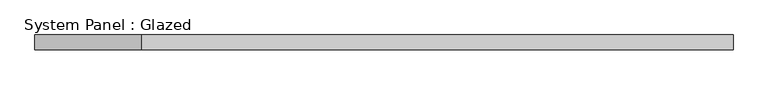
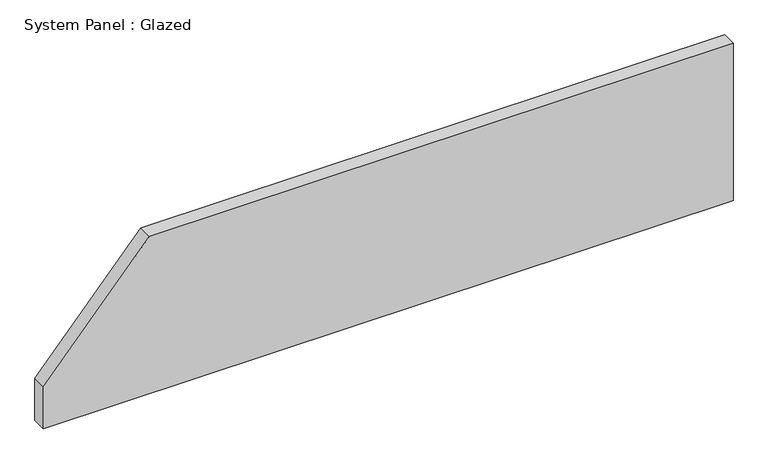
"""IFC4 building model written with IfcOpenShell, lengths in millimetres: plate geometry, System Panel : Glazed."""

from ifc_helpers import new_model, si_unit, frame, origin, place, context, project, spatial, polyline, outline, extrude, source, transform, mapped, element, save


def system_panel_glazed_3605b695(model_context):
    return source(origin(), model_context, "Body", "SweptSolid", [
        extrude(outline(polyline([(0.0, -580.0), (0.0, 580.0), (279.899799, 580.0), (279.899799, -402.1639852), (74.5524569, -580.0), (0.0, -580.0)])), frame((0.0, 24.5, 0.0), z_axis=(0.0, 1.0, 0.0), x_axis=(0.0, 0.0, 1.0)), (0.0, 0.0, 1.0), 25.0),
    ])


if __name__ == "__main__":
    model = new_model("IFC4")
    model_context = context("Model", 3, world=origin())
    ifc_project = project(units=[si_unit("LENGTHUNIT", "METRE", prefix="MILLI")], contexts=[model_context])
    site = spatial("IfcSite", under=ifc_project)
    building = spatial("IfcBuilding", under=site)
    placement = place(None, origin())
    system_panel_glazed_shape = system_panel_glazed_3605b695(model_context)
    element("IfcPlate", 1, ObjectType="System Panel : Glazed", at=placement, inside=building, context=model_context, shape_type="MappedRepresentation", body=[
        mapped(system_panel_glazed_shape, transform((0.0, 0.0, 0.0), x_axis=(1.0, 0.0, 0.0), y_axis=(0.0, 1.0, 0.0), z_axis=(0.0, 0.0, 1.0))),
    ])
    save(model, "model.ifc")
